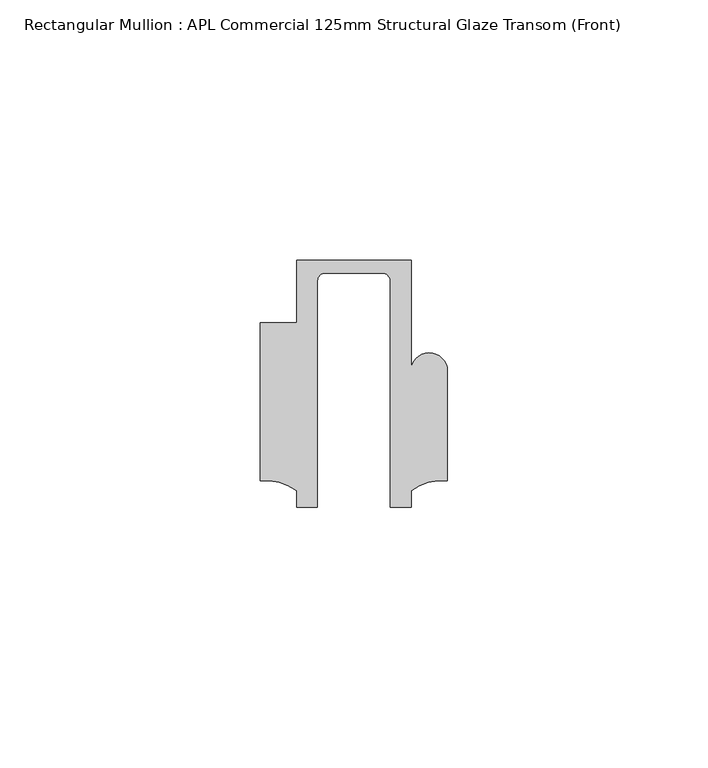
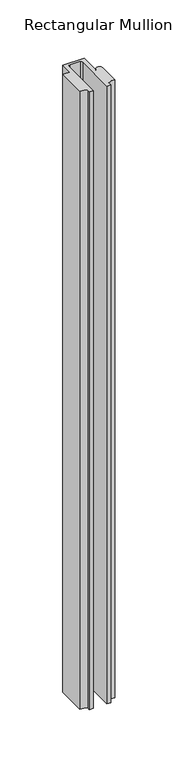
"""IFC4 building model written with IfcOpenShell, lengths in millimetres: member geometry, Rectangular Mullion : APL Commercial 125mm Structural Glaze Transom (Front)."""

from ifc_helpers import new_model, si_unit, frame, origin, place, context, project, spatial, polyline, circle_curve, source, transform, mapped, element, save
from ifc_brep_helpers import plane_surface, cylinder_surface, revolved_surface, advanced_brep


def rectangular_mullion_apl_commercial_125mm_structural_glaze_c60ffb25(model_context):
    return source(origin(), model_context, "Body", "AdvancedBrep", [
        advanced_brep(
        [(-11.0000151, 27.0, 0.0), (-11.0000151, 15.0006281, 0.0), (-17.9999542, 15.0006281, 0.0), (-17.9999542, -15.3797475, 0.0), (-10.9999994, -17.3125325, 0.0), (-10.9999994, -20.5, 0.0), (-6.9999853, -20.5, 0.0), (-6.9999853, 22.9976091, 0.0), (-5.4999873, 24.5, 0.0), (5.4999872, 24.5, 0.0), (6.9999849, 22.9973451, 0.0), (6.9999849, -20.5, 0.0), (11.0000151, -20.5, 0.0), (11.0000151, -17.3125212, 0.0), (17.9999542, -15.3797475, 0.0), (17.9999542, 5.684606, 0.0), (11.001071, 5.5848769, 0.0), (11.001071, 27.0, 0.0), (-11.0000151, 27.0, -673.1972908), (11.001071, 27.0, -673.1972908), (11.001071, 5.5848769, -673.1972908), (17.9999091, 5.6750512, -673.1972908), (17.9999542, -15.3797475, -673.1972908), (11.0000151, -17.3125212, -673.1972908), (11.0000151, -20.5, -673.1972908), (6.9999849, -20.5, -673.1972908), (6.9999849, 22.9973451, -673.1972908), (5.4999872, 24.5, -673.1972908), (-5.4999873, 24.5, -673.1972908), (-6.9999853, 22.9976091, -673.1972908), (-6.9999853, -20.5, -673.1972908), (-10.9999994, -20.5, -673.1972908), (-10.9999994, -17.3125325, -673.1972908), (-17.9999542, -15.3797475, -673.1972908), (-17.9999542, 15.0006281, -673.1972908), (-11.0000151, 15.0006281, -673.1972908)],
        [
            (0, 1),
            (1, 2),
            (2, 3),
            (3, 4, circle_curve(frame((-17.109817, -25.7981812, 0.0), z_axis=(0.0, 0.0, -1.0), x_axis=(0.0, 1.0, 0.0)), 10.4563907)),
            (4, 5),
            (5, 6),
            (6, 7),
            (7, 8, circle_curve(frame((-5.4999873, 23.0, 0.0), z_axis=(0.0, 0.0, -1.0), x_axis=(2.7320010112268853e-08, 0.9999999999999997, 0.0)), 1.5)),
            (8, 9),
            (9, 10, circle_curve(frame((5.4999872, 23.0, 0.0), z_axis=(0.0, 0.0, -1.0), x_axis=(0.9999999999999986, -5.463622857820516e-08, 0.0)), 1.5)),
            (10, 11),
            (11, 12),
            (12, 13),
            (13, 14, circle_curve(frame((17.109817, -25.7981812, 0.0), z_axis=(0.0, 0.0, -1.0), x_axis=(0.0, 1.0, 0.0)), 10.4563907)),
            (14, 15),
            (15, 16, circle_curve(frame((14.4999091, 5.6750512, 0.0), z_axis=(0.0, 0.0, 1.0), x_axis=(-0.9999826028573957, -0.005898642432633649, 0.0)), 3.5)),
            (16, 17),
            (17, 0),
            (18, 19),
            (19, 20),
            (20, 21, circle_curve(frame((14.4999091, 5.6750512, -673.1972908), z_axis=(0.0, 0.0, -1.0), x_axis=(-0.9999826028573957, -0.005898642432633649, 0.0)), 3.5)),
            (21, 22),
            (22, 23, circle_curve(frame((17.109817, -25.7981812, -673.1972908), z_axis=(0.0, 0.0, 1.0), x_axis=(0.0, 1.0, 0.0)), 10.4563907)),
            (23, 24),
            (24, 25),
            (25, 26),
            (26, 27, circle_curve(frame((5.4999872, 23.0, -673.1972908), z_axis=(0.0, 0.0, 1.0), x_axis=(0.9999999999999986, -5.463622857820516e-08, 0.0)), 1.5)),
            (27, 28),
            (28, 29, circle_curve(frame((-5.4999873, 23.0, -673.1972908), z_axis=(0.0, 0.0, 1.0), x_axis=(2.7320010112268853e-08, 0.9999999999999997, 0.0)), 1.5)),
            (29, 30),
            (30, 31),
            (31, 32),
            (32, 33, circle_curve(frame((-17.109817, -25.7981812, -673.1972908), z_axis=(0.0, 0.0, 1.0), x_axis=(0.0, 1.0, 0.0)), 10.4563907)),
            (33, 34),
            (34, 35),
            (35, 18),
            (0, 18),
            (35, 1),
            (34, 2),
            (33, 3),
            (32, 4),
            (31, 5),
            (30, 6),
            (29, 7),
            (28, 8),
            (27, 9),
            (26, 10),
            (25, 11),
            (24, 12),
            (23, 13),
            (22, 14),
            (21, 15),
            (20, 16),
            (19, 17),
        ],
        [
            plane_surface(frame((0.0, -29.1551636, 0.0), z_axis=(0.0, 0.0, 1.0), x_axis=(-1.0, 0.0, 0.0))),
            plane_surface(frame((0.0, -29.1551636, -673.1972908), z_axis=(0.0, 0.0, -1.0), x_axis=(-1.0, 0.0, 0.0))),
            plane_surface(frame((-11.0000151, 27.0, 0.0), z_axis=(-1.0, 0.0, 0.0), x_axis=(0.0, 0.0, -1.0))),
            plane_surface(frame((-11.0000151, 15.0006281, 0.0), z_axis=(0.0, 1.0, 0.0), x_axis=(0.0, 0.0, -1.0))),
            plane_surface(frame((-17.9999542, 15.0006281, 0.0), z_axis=(-1.0, 0.0, 0.0), x_axis=(0.0, 0.0, -1.0))),
            revolved_surface(polyline([(-17.109817, -15.341790499999998, -673.1972908), (-17.109817, -15.341790499999998, 0.0)]), (-17.109817, -25.7981812, 0.0), (0.0, 0.0, -1.0)),
            plane_surface(frame((-10.9999994, -17.3125325, 0.0), z_axis=(-1.0, 0.0, 0.0), x_axis=(0.0, 0.0, -1.0))),
            plane_surface(frame((-10.9999994, -20.5, 0.0), z_axis=(0.0, -1.0, 0.0), x_axis=(0.0, 0.0, -1.0))),
            plane_surface(frame((-6.9999853, -20.5, 0.0), z_axis=(1.0, 0.0, 0.0), x_axis=(0.0, 0.0, -1.0))),
            revolved_surface(polyline([(-5.499987259019985, 24.5, -673.1972908), (-5.499987259019985, 24.5, 0.0)]), (-5.4999873, 23.0, 0.0), (0.0, 0.0, -1.0)),
            plane_surface(frame((-5.4999873, 24.5, 0.0), z_axis=(0.0, -1.0, 0.0), x_axis=(0.0, 0.0, -1.0))),
            revolved_surface(polyline([(6.999987199999998, 22.999999918045656, -673.1972908), (6.999987199999998, 22.999999918045656, 0.0)]), (5.4999872, 23.0, 0.0), (0.0, 0.0, -1.0)),
            plane_surface(frame((6.9999849, 22.9973451, 0.0), z_axis=(-1.0, 0.0, 0.0), x_axis=(0.0, 0.0, -1.0))),
            plane_surface(frame((6.9999849, -20.5, 0.0), z_axis=(0.0, -1.0, 0.0), x_axis=(0.0, 0.0, -1.0))),
            plane_surface(frame((11.0000151, -20.5, 0.0), z_axis=(1.0, 0.0, 0.0), x_axis=(0.0, 0.0, -1.0))),
            revolved_surface(polyline([(17.109817, -15.341790499999998, -673.1972908), (17.109817, -15.341790499999998, 0.0)]), (17.109817, -25.7981812, 0.0), (0.0, 0.0, -1.0)),
            plane_surface(frame((17.9999542, -15.3797475, 0.0), z_axis=(1.0, 0.0, 0.0), x_axis=(0.0, 0.0, -1.0))),
            cylinder_surface(frame((14.4999091, 5.6750512, 0.0), z_axis=(0.0, 0.0, 1.0), x_axis=(-0.9999826028573957, -0.005898642432633649, 0.0)), 3.5),
            plane_surface(frame((11.001071, 5.5848769, 0.0), z_axis=(1.0, 0.0, 0.0), x_axis=(0.0, 0.0, -1.0))),
            plane_surface(frame((11.001071, 27.0, 0.0), z_axis=(0.0, 1.0, 0.0), x_axis=(0.0, 0.0, -1.0))),
        ],
        [
            (0, [[1, 2, 3, 4, 5, 6, 7, 8, 9, 10, 11, 12, 13, 14, 15, 16, 17, 18]]),
            (1, [[19, 20, 21, 22, 23, 24, 25, 26, 27, 28, 29, 30, 31, 32, 33, 34, 35, 36]]),
            (2, [[-1, 37, -36, 38]]),
            (3, [[-2, -38, -35, 39]]),
            (4, [[-3, -39, -34, 40]]),
            (5, [[-4, -40, -33, 41]]),
            (6, [[-5, -41, -32, 42]]),
            (7, [[-6, -42, -31, 43]]),
            (8, [[-7, -43, -30, 44]]),
            (9, [[-8, -44, -29, 45]]),
            (10, [[-9, -45, -28, 46]]),
            (11, [[-10, -46, -27, 47]]),
            (12, [[-11, -47, -26, 48]]),
            (13, [[-12, -48, -25, 49]]),
            (14, [[-13, -49, -24, 50]]),
            (15, [[-14, -50, -23, 51]]),
            (16, [[-15, -51, -22, 52]]),
            (17, [[-16, -52, -21, 53]]),
            (18, [[-17, -53, -20, 54]]),
            (19, [[-18, -54, -19, -37]]),
        ],
    ),
    ])


if __name__ == "__main__":
    model = new_model("IFC4")
    model_context = context("Model", 3, world=origin())
    ifc_project = project(units=[si_unit("LENGTHUNIT", "METRE", prefix="MILLI")], contexts=[model_context])
    site = spatial("IfcSite", under=ifc_project)
    building = spatial("IfcBuilding", under=site)
    placement = place(None, origin())
    rectangular_mullion_apl_commercial_125mm_structural_glaze_shape = rectangular_mullion_apl_commercial_125mm_structural_glaze_c60ffb25(model_context)
    element("IfcMember", 1, ObjectType="Rectangular Mullion : APL Commercial 125mm Structural Glaze Transom (Front)", at=placement, inside=building, context=model_context, shape_type="MappedRepresentation", body=[
        mapped(rectangular_mullion_apl_commercial_125mm_structural_glaze_shape, transform((0.0, 0.0, 0.0), x_axis=(1.0, 0.0, 0.0), y_axis=(0.0, 1.0, 0.0), z_axis=(0.0, 0.0, 1.0))),
    ])
    save(model, "model.ifc")
